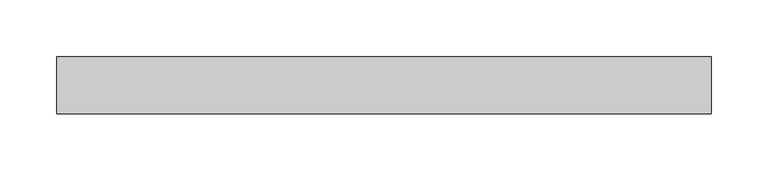
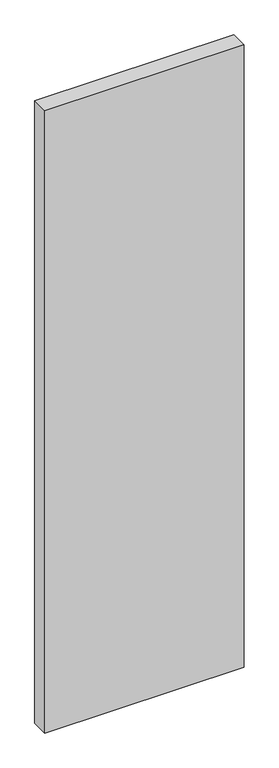
"""IFC4 building model written with IfcOpenShell, lengths in millimetres: plate geometry."""

from ifc_helpers import new_model, si_unit, origin, origin_with_axes, place, context, project, spatial, polyline, outline, extrude, source, transform, mapped, element, save


def plate_83b13906(model_context):
    return source(origin(), model_context, "Body", "SweptSolid", [
        extrude(outline(polyline([(288.0564008, -25.0), (-288.0564008, -25.0), (-288.0564008, 25.0), (288.0564008, 25.0), (288.0564008, -25.0)])), origin_with_axes(), (0.0, 0.0, 1.0), 1900.0),
    ])


if __name__ == "__main__":
    model = new_model("IFC4")
    model_context = context("Model", 3, world=origin())
    ifc_project = project(units=[si_unit("LENGTHUNIT", "METRE", prefix="MILLI")], contexts=[model_context])
    site = spatial("IfcSite", under=ifc_project)
    building = spatial("IfcBuilding", under=site)
    placement = place(None, origin())
    plate_shape = plate_83b13906(model_context)
    element("IfcPlate", 1, at=placement, inside=building, context=model_context, shape_type="MappedRepresentation", body=[
        mapped(plate_shape, transform((0.0, 0.0, 0.0), x_axis=(1.0, 0.0, 0.0), y_axis=(0.0, 1.0, 0.0), z_axis=(0.0, 0.0, 1.0))),
    ])
    save(model, "model.ifc")
